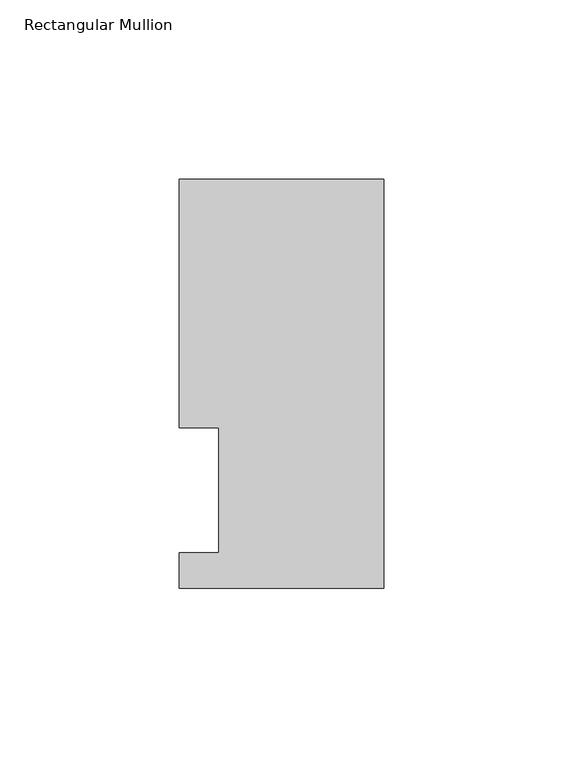
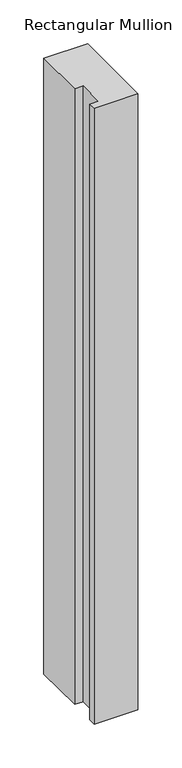
"""IFC4 building model written with IfcOpenShell, lengths in millimetres: member geometry, Rectangular Mullion."""

from ifc_helpers import new_model, si_unit, frame, origin, place, context, project, spatial, polyline, outline, extrude, source, transform, mapped, element, save


def rectangular_mullion_5b1c12af(model_context):
    return source(origin(), model_context, "Body", "SweptSolid", [
        extrude(outline(polyline([(0.0, 114.271425), (0.0, -0.028575), (-57.15, -0.028575), (-57.15, 9.877425), (-46.0375, 9.877425), (-46.0375, 44.802425), (-57.15, 44.802425), (-57.15, 114.271425), (0.0, 114.271425)])), frame((0.0, 0.0, -854.075), z_axis=(0.0, 0.0, 1.0), x_axis=(1.0, 0.0, 0.0)), (0.0, 0.0, 1.0), 854.075),
    ])


if __name__ == "__main__":
    model = new_model("IFC4")
    model_context = context("Model", 3, world=origin())
    ifc_project = project(units=[si_unit("LENGTHUNIT", "METRE", prefix="MILLI")], contexts=[model_context])
    site = spatial("IfcSite", under=ifc_project)
    building = spatial("IfcBuilding", under=site)
    placement = place(None, origin())
    rectangular_mullion_shape = rectangular_mullion_5b1c12af(model_context)
    element("IfcMember", 1, ObjectType="Rectangular Mullion", at=placement, inside=building, context=model_context, shape_type="MappedRepresentation", body=[
        mapped(rectangular_mullion_shape, transform((0.0, 0.0, 0.0), x_axis=(1.0, 0.0, 0.0), y_axis=(0.0, 1.0, 0.0), z_axis=(0.0, 0.0, 1.0))),
    ])
    save(model, "model.ifc")
